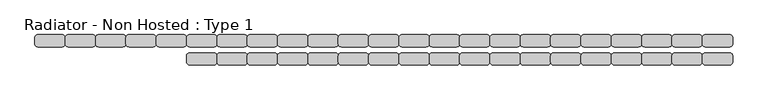
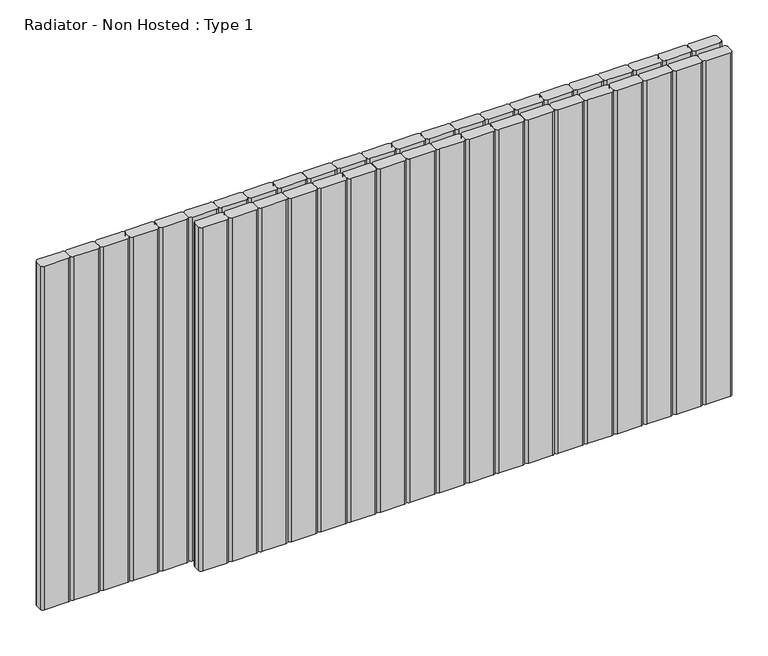
"""IFC4 building model written with IfcOpenShell, lengths in millimetres: proxy geometry, Radiator - Non Hosted : Type 1."""

from ifc_helpers import new_model, si_unit, point, frame, frame_2d, origin, place, context, project, spatial, polyline, circle_curve, trimmed, segment, composite_curve, outline, extrude, source, transform, mapped, element, save


def radiator_non_hosted_type_1_2841e368(model_context):
    return source(origin(), model_context, "Body", "SweptSolid", [
        extrude(outline(composite_curve([segment(trimmed(circle_curve(frame_2d((1295.0, 85.0)), 5.0), [point((1295.0, 90.0))], [point((1300.0, 85.0))], False, "CARTESIAN"), True, "CONTINUOUS"), segment(polyline([(1300.0, 85.0), (1300.0, 75.0)]), True, "CONTINUOUS"), segment(trimmed(circle_curve(frame_2d((1295.0, 75.0)), 5.0), [point((1300.0, 75.0))], [point((1295.0, 70.0))], False, "CARTESIAN"), True, "CONTINUOUS"), segment(polyline([(1295.0, 70.0), (1255.0, 70.0)]), True, "CONTINUOUS"), segment(trimmed(circle_curve(frame_2d((1255.0, 75.0)), 5.0), [point((1255.0, 70.0))], [point((1250.0, 75.0))], False, "CARTESIAN"), True, "CONTINUOUS"), segment(polyline([(1250.0, 75.0), (1250.0, 85.0)]), True, "CONTINUOUS"), segment(trimmed(circle_curve(frame_2d((1255.0, 85.0)), 5.0), [point((1250.0, 85.0))], [point((1255.0, 90.0))], False, "CARTESIAN"), True, "CONTINUOUS"), segment(polyline([(1255.0, 90.0), (1295.0, 90.0)]), True, "CONTINUOUS")], self_intersect=False)), frame((0.0, 0.0, 100.0), z_axis=(0.0, 0.0, 1.0), x_axis=(1.0, 0.0, 0.0)), (0.0, 0.0, 1.0), 613.2484049),
        extrude(outline(composite_curve([segment(trimmed(circle_curve(frame_2d((1245.0, 85.0)), 5.0), [point((1245.0, 90.0))], [point((1250.0, 85.0))], False, "CARTESIAN"), True, "CONTINUOUS"), segment(polyline([(1250.0, 85.0), (1250.0, 75.0)]), True, "CONTINUOUS"), segment(trimmed(circle_curve(frame_2d((1245.0, 75.0)), 5.0), [point((1250.0, 75.0))], [point((1245.0, 70.0))], False, "CARTESIAN"), True, "CONTINUOUS"), segment(polyline([(1245.0, 70.0), (1205.0, 70.0)]), True, "CONTINUOUS"), segment(trimmed(circle_curve(frame_2d((1205.0, 75.0)), 5.0), [point((1205.0, 70.0))], [point((1200.0, 75.0))], False, "CARTESIAN"), True, "CONTINUOUS"), segment(polyline([(1200.0, 75.0), (1200.0, 85.0)]), True, "CONTINUOUS"), segment(trimmed(circle_curve(frame_2d((1205.0, 85.0)), 5.0), [point((1200.0, 85.0))], [point((1205.0, 90.0))], False, "CARTESIAN"), True, "CONTINUOUS"), segment(polyline([(1205.0, 90.0), (1245.0, 90.0)]), True, "CONTINUOUS")], self_intersect=False)), frame((0.0, 0.0, 100.0), z_axis=(0.0, 0.0, 1.0), x_axis=(1.0, 0.0, 0.0)), (0.0, 0.0, 1.0), 613.2484049),
        extrude(outline(composite_curve([segment(trimmed(circle_curve(frame_2d((1195.0, 85.0)), 5.0), [point((1195.0, 90.0))], [point((1200.0, 85.0))], False, "CARTESIAN"), True, "CONTINUOUS"), segment(polyline([(1200.0, 85.0), (1200.0, 75.0)]), True, "CONTINUOUS"), segment(trimmed(circle_curve(frame_2d((1195.0, 75.0)), 5.0), [point((1200.0, 75.0))], [point((1195.0, 70.0))], False, "CARTESIAN"), True, "CONTINUOUS"), segment(polyline([(1195.0, 70.0), (1155.0, 70.0)]), True, "CONTINUOUS"), segment(trimmed(circle_curve(frame_2d((1155.0, 75.0)), 5.0), [point((1155.0, 70.0))], [point((1150.0, 75.0))], False, "CARTESIAN"), True, "CONTINUOUS"), segment(polyline([(1150.0, 75.0), (1150.0, 85.0)]), True, "CONTINUOUS"), segment(trimmed(circle_curve(frame_2d((1155.0, 85.0)), 5.0), [point((1150.0, 85.0))], [point((1155.0, 90.0))], False, "CARTESIAN"), True, "CONTINUOUS"), segment(polyline([(1155.0, 90.0), (1195.0, 90.0)]), True, "CONTINUOUS")], self_intersect=False)), frame((0.0, 0.0, 100.0), z_axis=(0.0, 0.0, 1.0), x_axis=(1.0, 0.0, 0.0)), (0.0, 0.0, 1.0), 613.2484049),
        extrude(outline(composite_curve([segment(trimmed(circle_curve(frame_2d((1145.0, 85.0)), 5.0), [point((1145.0, 90.0))], [point((1150.0, 85.0))], False, "CARTESIAN"), True, "CONTINUOUS"), segment(polyline([(1150.0, 85.0), (1150.0, 75.0)]), True, "CONTINUOUS"), segment(trimmed(circle_curve(frame_2d((1145.0, 75.0)), 5.0), [point((1150.0, 75.0))], [point((1145.0, 70.0))], False, "CARTESIAN"), True, "CONTINUOUS"), segment(polyline([(1145.0, 70.0), (1105.0, 70.0)]), True, "CONTINUOUS"), segment(trimmed(circle_curve(frame_2d((1105.0, 75.0)), 5.0), [point((1105.0, 70.0))], [point((1100.0, 75.0))], False, "CARTESIAN"), True, "CONTINUOUS"), segment(polyline([(1100.0, 75.0), (1100.0, 85.0)]), True, "CONTINUOUS"), segment(trimmed(circle_curve(frame_2d((1105.0, 85.0)), 5.0), [point((1100.0, 85.0))], [point((1105.0, 90.0))], False, "CARTESIAN"), True, "CONTINUOUS"), segment(polyline([(1105.0, 90.0), (1145.0, 90.0)]), True, "CONTINUOUS")], self_intersect=False)), frame((0.0, 0.0, 100.0), z_axis=(0.0, 0.0, 1.0), x_axis=(1.0, 0.0, 0.0)), (0.0, 0.0, 1.0), 613.2484049),
        extrude(outline(composite_curve([segment(trimmed(circle_curve(frame_2d((1095.0, 85.0)), 5.0), [point((1095.0, 90.0))], [point((1100.0, 85.0))], False, "CARTESIAN"), True, "CONTINUOUS"), segment(polyline([(1100.0, 85.0), (1100.0, 75.0)]), True, "CONTINUOUS"), segment(trimmed(circle_curve(frame_2d((1095.0, 75.0)), 5.0), [point((1100.0, 75.0))], [point((1095.0, 70.0))], False, "CARTESIAN"), True, "CONTINUOUS"), segment(polyline([(1095.0, 70.0), (1055.0, 70.0)]), True, "CONTINUOUS"), segment(trimmed(circle_curve(frame_2d((1055.0, 75.0)), 5.0), [point((1055.0, 70.0))], [point((1050.0, 75.0))], False, "CARTESIAN"), True, "CONTINUOUS"), segment(polyline([(1050.0, 75.0), (1050.0, 85.0)]), True, "CONTINUOUS"), segment(trimmed(circle_curve(frame_2d((1055.0, 85.0)), 5.0), [point((1050.0, 85.0))], [point((1055.0, 90.0))], False, "CARTESIAN"), True, "CONTINUOUS"), segment(polyline([(1055.0, 90.0), (1095.0, 90.0)]), True, "CONTINUOUS")], self_intersect=False)), frame((0.0, 0.0, 100.0), z_axis=(0.0, 0.0, 1.0), x_axis=(1.0, 0.0, 0.0)), (0.0, 0.0, 1.0), 613.2484049),
        extrude(outline(composite_curve([segment(trimmed(circle_curve(frame_2d((1045.0, 85.0)), 5.0), [point((1045.0, 90.0))], [point((1050.0, 85.0))], False, "CARTESIAN"), True, "CONTINUOUS"), segment(polyline([(1050.0, 85.0), (1050.0, 75.0)]), True, "CONTINUOUS"), segment(trimmed(circle_curve(frame_2d((1045.0, 75.0)), 5.0), [point((1050.0, 75.0))], [point((1045.0, 70.0))], False, "CARTESIAN"), True, "CONTINUOUS"), segment(polyline([(1045.0, 70.0), (1005.0, 70.0)]), True, "CONTINUOUS"), segment(trimmed(circle_curve(frame_2d((1005.0, 75.0)), 5.0), [point((1005.0, 70.0))], [point((1000.0, 75.0))], False, "CARTESIAN"), True, "CONTINUOUS"), segment(polyline([(1000.0, 75.0), (1000.0, 85.0)]), True, "CONTINUOUS"), segment(trimmed(circle_curve(frame_2d((1005.0, 85.0)), 5.0), [point((1000.0, 85.0))], [point((1005.0, 90.0))], False, "CARTESIAN"), True, "CONTINUOUS"), segment(polyline([(1005.0, 90.0), (1045.0, 90.0)]), True, "CONTINUOUS")], self_intersect=False)), frame((0.0, 0.0, 100.0), z_axis=(0.0, 0.0, 1.0), x_axis=(1.0, 0.0, 0.0)), (0.0, 0.0, 1.0), 613.2484049),
        extrude(outline(composite_curve([segment(trimmed(circle_curve(frame_2d((995.0, 85.0)), 5.0), [point((995.0, 90.0))], [point((1000.0, 85.0))], False, "CARTESIAN"), True, "CONTINUOUS"), segment(polyline([(1000.0, 85.0), (1000.0, 75.0)]), True, "CONTINUOUS"), segment(trimmed(circle_curve(frame_2d((995.0, 75.0)), 5.0), [point((1000.0, 75.0))], [point((995.0, 70.0))], False, "CARTESIAN"), True, "CONTINUOUS"), segment(polyline([(995.0, 70.0), (955.0, 70.0)]), True, "CONTINUOUS"), segment(trimmed(circle_curve(frame_2d((955.0, 75.0)), 5.0), [point((955.0, 70.0))], [point((950.0, 75.0))], False, "CARTESIAN"), True, "CONTINUOUS"), segment(polyline([(950.0, 75.0), (950.0, 85.0)]), True, "CONTINUOUS"), segment(trimmed(circle_curve(frame_2d((955.0, 85.0)), 5.0), [point((950.0, 85.0))], [point((955.0, 90.0))], False, "CARTESIAN"), True, "CONTINUOUS"), segment(polyline([(955.0, 90.0), (995.0, 90.0)]), True, "CONTINUOUS")], self_intersect=False)), frame((0.0, 0.0, 100.0), z_axis=(0.0, 0.0, 1.0), x_axis=(1.0, 0.0, 0.0)), (0.0, 0.0, 1.0), 613.2484049),
        extrude(outline(composite_curve([segment(trimmed(circle_curve(frame_2d((945.0, 85.0)), 5.0), [point((945.0, 90.0))], [point((950.0, 85.0))], False, "CARTESIAN"), True, "CONTINUOUS"), segment(polyline([(950.0, 85.0), (950.0, 75.0)]), True, "CONTINUOUS"), segment(trimmed(circle_curve(frame_2d((945.0, 75.0)), 5.0), [point((950.0, 75.0))], [point((945.0, 70.0))], False, "CARTESIAN"), True, "CONTINUOUS"), segment(polyline([(945.0, 70.0), (905.0, 70.0)]), True, "CONTINUOUS"), segment(trimmed(circle_curve(frame_2d((905.0, 75.0)), 5.0), [point((905.0, 70.0))], [point((900.0, 75.0))], False, "CARTESIAN"), True, "CONTINUOUS"), segment(polyline([(900.0, 75.0), (900.0, 85.0)]), True, "CONTINUOUS"), segment(trimmed(circle_curve(frame_2d((905.0, 85.0)), 5.0), [point((900.0, 85.0))], [point((905.0, 90.0))], False, "CARTESIAN"), True, "CONTINUOUS"), segment(polyline([(905.0, 90.0), (945.0, 90.0)]), True, "CONTINUOUS")], self_intersect=False)), frame((0.0, 0.0, 100.0), z_axis=(0.0, 0.0, 1.0), x_axis=(1.0, 0.0, 0.0)), (0.0, 0.0, 1.0), 613.2484049),
        extrude(outline(composite_curve([segment(trimmed(circle_curve(frame_2d((895.0, 85.0)), 5.0), [point((895.0, 90.0))], [point((900.0, 85.0))], False, "CARTESIAN"), True, "CONTINUOUS"), segment(polyline([(900.0, 85.0), (900.0, 75.0)]), True, "CONTINUOUS"), segment(trimmed(circle_curve(frame_2d((895.0, 75.0)), 5.0), [point((900.0, 75.0))], [point((895.0, 70.0))], False, "CARTESIAN"), True, "CONTINUOUS"), segment(polyline([(895.0, 70.0), (855.0, 70.0)]), True, "CONTINUOUS"), segment(trimmed(circle_curve(frame_2d((855.0, 75.0)), 5.0), [point((855.0, 70.0))], [point((850.0, 75.0))], False, "CARTESIAN"), True, "CONTINUOUS"), segment(polyline([(850.0, 75.0), (850.0, 85.0)]), True, "CONTINUOUS"), segment(trimmed(circle_curve(frame_2d((855.0, 85.0)), 5.0), [point((850.0, 85.0))], [point((855.0, 90.0))], False, "CARTESIAN"), True, "CONTINUOUS"), segment(polyline([(855.0, 90.0), (895.0, 90.0)]), True, "CONTINUOUS")], self_intersect=False)), frame((0.0, 0.0, 100.0), z_axis=(0.0, 0.0, 1.0), x_axis=(1.0, 0.0, 0.0)), (0.0, 0.0, 1.0), 613.2484049),
        extrude(outline(composite_curve([segment(trimmed(circle_curve(frame_2d((845.0, 85.0)), 5.0), [point((845.0, 90.0))], [point((850.0, 85.0))], False, "CARTESIAN"), True, "CONTINUOUS"), segment(polyline([(850.0, 85.0), (850.0, 75.0)]), True, "CONTINUOUS"), segment(trimmed(circle_curve(frame_2d((845.0, 75.0)), 5.0), [point((850.0, 75.0))], [point((845.0, 70.0))], False, "CARTESIAN"), True, "CONTINUOUS"), segment(polyline([(845.0, 70.0), (805.0, 70.0)]), True, "CONTINUOUS"), segment(trimmed(circle_curve(frame_2d((805.0, 75.0)), 5.0), [point((805.0, 70.0))], [point((800.0, 75.0))], False, "CARTESIAN"), True, "CONTINUOUS"), segment(polyline([(800.0, 75.0), (800.0, 85.0)]), True, "CONTINUOUS"), segment(trimmed(circle_curve(frame_2d((805.0, 85.0)), 5.0), [point((800.0, 85.0))], [point((805.0, 90.0))], False, "CARTESIAN"), True, "CONTINUOUS"), segment(polyline([(805.0, 90.0), (845.0, 90.0)]), True, "CONTINUOUS")], self_intersect=False)), frame((0.0, 0.0, 100.0), z_axis=(0.0, 0.0, 1.0), x_axis=(1.0, 0.0, 0.0)), (0.0, 0.0, 1.0), 613.2484049),
        extrude(outline(composite_curve([segment(trimmed(circle_curve(frame_2d((795.0, 85.0)), 5.0), [point((795.0, 90.0))], [point((800.0, 85.0))], False, "CARTESIAN"), True, "CONTINUOUS"), segment(polyline([(800.0, 85.0), (800.0, 75.0)]), True, "CONTINUOUS"), segment(trimmed(circle_curve(frame_2d((795.0, 75.0)), 5.0), [point((800.0, 75.0))], [point((795.0, 70.0))], False, "CARTESIAN"), True, "CONTINUOUS"), segment(polyline([(795.0, 70.0), (755.0, 70.0)]), True, "CONTINUOUS"), segment(trimmed(circle_curve(frame_2d((755.0, 75.0)), 5.0), [point((755.0, 70.0))], [point((750.0, 75.0))], False, "CARTESIAN"), True, "CONTINUOUS"), segment(polyline([(750.0, 75.0), (750.0, 85.0)]), True, "CONTINUOUS"), segment(trimmed(circle_curve(frame_2d((755.0, 85.0)), 5.0), [point((750.0, 85.0))], [point((755.0, 90.0))], False, "CARTESIAN"), True, "CONTINUOUS"), segment(polyline([(755.0, 90.0), (795.0, 90.0)]), True, "CONTINUOUS")], self_intersect=False)), frame((0.0, 0.0, 100.0), z_axis=(0.0, 0.0, 1.0), x_axis=(1.0, 0.0, 0.0)), (0.0, 0.0, 1.0), 613.2484049),
        extrude(outline(composite_curve([segment(trimmed(circle_curve(frame_2d((745.0, 85.0)), 5.0), [point((745.0, 90.0))], [point((750.0, 85.0))], False, "CARTESIAN"), True, "CONTINUOUS"), segment(polyline([(750.0, 85.0), (750.0, 75.0)]), True, "CONTINUOUS"), segment(trimmed(circle_curve(frame_2d((745.0, 75.0)), 5.0), [point((750.0, 75.0))], [point((745.0, 70.0))], False, "CARTESIAN"), True, "CONTINUOUS"), segment(polyline([(745.0, 70.0), (705.0, 70.0)]), True, "CONTINUOUS"), segment(trimmed(circle_curve(frame_2d((705.0, 75.0)), 5.0), [point((705.0, 70.0))], [point((700.0, 75.0))], False, "CARTESIAN"), True, "CONTINUOUS"), segment(polyline([(700.0, 75.0), (700.0, 85.0)]), True, "CONTINUOUS"), segment(trimmed(circle_curve(frame_2d((705.0, 85.0)), 5.0), [point((700.0, 85.0))], [point((705.0, 90.0))], False, "CARTESIAN"), True, "CONTINUOUS"), segment(polyline([(705.0, 90.0), (745.0, 90.0)]), True, "CONTINUOUS")], self_intersect=False)), frame((0.0, 0.0, 100.0), z_axis=(0.0, 0.0, 1.0), x_axis=(1.0, 0.0, 0.0)), (0.0, 0.0, 1.0), 613.2484049),
        extrude(outline(composite_curve([segment(trimmed(circle_curve(frame_2d((695.0, 85.0)), 5.0), [point((695.0, 90.0))], [point((700.0, 85.0))], False, "CARTESIAN"), True, "CONTINUOUS"), segment(polyline([(700.0, 85.0), (700.0, 75.0)]), True, "CONTINUOUS"), segment(trimmed(circle_curve(frame_2d((695.0, 75.0)), 5.0), [point((700.0, 75.0))], [point((695.0, 70.0))], False, "CARTESIAN"), True, "CONTINUOUS"), segment(polyline([(695.0, 70.0), (655.0, 70.0)]), True, "CONTINUOUS"), segment(trimmed(circle_curve(frame_2d((655.0, 75.0)), 5.0), [point((655.0, 70.0))], [point((650.0, 75.0))], False, "CARTESIAN"), True, "CONTINUOUS"), segment(polyline([(650.0, 75.0), (650.0, 85.0)]), True, "CONTINUOUS"), segment(trimmed(circle_curve(frame_2d((655.0, 85.0)), 5.0), [point((650.0, 85.0))], [point((655.0, 90.0))], False, "CARTESIAN"), True, "CONTINUOUS"), segment(polyline([(655.0, 90.0), (695.0, 90.0)]), True, "CONTINUOUS")], self_intersect=False)), frame((0.0, 0.0, 100.0), z_axis=(0.0, 0.0, 1.0), x_axis=(1.0, 0.0, 0.0)), (0.0, 0.0, 1.0), 613.2484049),
        extrude(outline(composite_curve([segment(trimmed(circle_curve(frame_2d((645.0, 85.0)), 5.0), [point((645.0, 90.0))], [point((650.0, 85.0))], False, "CARTESIAN"), True, "CONTINUOUS"), segment(polyline([(650.0, 85.0), (650.0, 75.0)]), True, "CONTINUOUS"), segment(trimmed(circle_curve(frame_2d((645.0, 75.0)), 5.0), [point((650.0, 75.0))], [point((645.0, 70.0))], False, "CARTESIAN"), True, "CONTINUOUS"), segment(polyline([(645.0, 70.0), (605.0, 70.0)]), True, "CONTINUOUS"), segment(trimmed(circle_curve(frame_2d((605.0, 75.0)), 5.0), [point((605.0, 70.0))], [point((600.0, 75.0))], False, "CARTESIAN"), True, "CONTINUOUS"), segment(polyline([(600.0, 75.0), (600.0, 85.0)]), True, "CONTINUOUS"), segment(trimmed(circle_curve(frame_2d((605.0, 85.0)), 5.0), [point((600.0, 85.0))], [point((605.0, 90.0))], False, "CARTESIAN"), True, "CONTINUOUS"), segment(polyline([(605.0, 90.0), (645.0, 90.0)]), True, "CONTINUOUS")], self_intersect=False)), frame((0.0, 0.0, 100.0), z_axis=(0.0, 0.0, 1.0), x_axis=(1.0, 0.0, 0.0)), (0.0, 0.0, 1.0), 613.2484049),
        extrude(outline(composite_curve([segment(trimmed(circle_curve(frame_2d((1295.0, 55.0)), 5.0), [point((1295.0, 60.0))], [point((1300.0, 55.0))], False, "CARTESIAN"), True, "CONTINUOUS"), segment(polyline([(1300.0, 55.0), (1300.0, 45.0)]), True, "CONTINUOUS"), segment(trimmed(circle_curve(frame_2d((1295.0, 45.0)), 5.0), [point((1300.0, 45.0))], [point((1295.0, 40.0))], False, "CARTESIAN"), True, "CONTINUOUS"), segment(polyline([(1295.0, 40.0), (1255.0, 40.0)]), True, "CONTINUOUS"), segment(trimmed(circle_curve(frame_2d((1255.0, 45.0)), 5.0), [point((1255.0, 40.0))], [point((1250.0, 45.0))], False, "CARTESIAN"), True, "CONTINUOUS"), segment(polyline([(1250.0, 45.0), (1250.0, 55.0)]), True, "CONTINUOUS"), segment(trimmed(circle_curve(frame_2d((1255.0, 55.0)), 5.0), [point((1250.0, 55.0))], [point((1255.0, 60.0))], False, "CARTESIAN"), True, "CONTINUOUS"), segment(polyline([(1255.0, 60.0), (1295.0, 60.0)]), True, "CONTINUOUS")], self_intersect=False)), frame((0.0, 0.0, 100.0), z_axis=(0.0, 0.0, 1.0), x_axis=(1.0, 0.0, 0.0)), (0.0, 0.0, 1.0), 613.2484049),
        extrude(outline(composite_curve([segment(trimmed(circle_curve(frame_2d((1245.0, 55.0)), 5.0), [point((1245.0, 60.0))], [point((1250.0, 55.0))], False, "CARTESIAN"), True, "CONTINUOUS"), segment(polyline([(1250.0, 55.0), (1250.0, 45.0)]), True, "CONTINUOUS"), segment(trimmed(circle_curve(frame_2d((1245.0, 45.0)), 5.0), [point((1250.0, 45.0))], [point((1245.0, 40.0))], False, "CARTESIAN"), True, "CONTINUOUS"), segment(polyline([(1245.0, 40.0), (1205.0, 40.0)]), True, "CONTINUOUS"), segment(trimmed(circle_curve(frame_2d((1205.0, 45.0)), 5.0), [point((1205.0, 40.0))], [point((1200.0, 45.0))], False, "CARTESIAN"), True, "CONTINUOUS"), segment(polyline([(1200.0, 45.0), (1200.0, 55.0)]), True, "CONTINUOUS"), segment(trimmed(circle_curve(frame_2d((1205.0, 55.0)), 5.0), [point((1200.0, 55.0))], [point((1205.0, 60.0))], False, "CARTESIAN"), True, "CONTINUOUS"), segment(polyline([(1205.0, 60.0), (1245.0, 60.0)]), True, "CONTINUOUS")], self_intersect=False)), frame((0.0, 0.0, 100.0), z_axis=(0.0, 0.0, 1.0), x_axis=(1.0, 0.0, 0.0)), (0.0, 0.0, 1.0), 613.2484049),
        extrude(outline(composite_curve([segment(trimmed(circle_curve(frame_2d((1195.0, 55.0)), 5.0), [point((1195.0, 60.0))], [point((1200.0, 55.0))], False, "CARTESIAN"), True, "CONTINUOUS"), segment(polyline([(1200.0, 55.0), (1200.0, 45.0)]), True, "CONTINUOUS"), segment(trimmed(circle_curve(frame_2d((1195.0, 45.0)), 5.0), [point((1200.0, 45.0))], [point((1195.0, 40.0))], False, "CARTESIAN"), True, "CONTINUOUS"), segment(polyline([(1195.0, 40.0), (1155.0, 40.0)]), True, "CONTINUOUS"), segment(trimmed(circle_curve(frame_2d((1155.0, 45.0)), 5.0), [point((1155.0, 40.0))], [point((1150.0, 45.0))], False, "CARTESIAN"), True, "CONTINUOUS"), segment(polyline([(1150.0, 45.0), (1150.0, 55.0)]), True, "CONTINUOUS"), segment(trimmed(circle_curve(frame_2d((1155.0, 55.0)), 5.0), [point((1150.0, 55.0))], [point((1155.0, 60.0))], False, "CARTESIAN"), True, "CONTINUOUS"), segment(polyline([(1155.0, 60.0), (1195.0, 60.0)]), True, "CONTINUOUS")], self_intersect=False)), frame((0.0, 0.0, 100.0), z_axis=(0.0, 0.0, 1.0), x_axis=(1.0, 0.0, 0.0)), (0.0, 0.0, 1.0), 613.2484049),
        extrude(outline(composite_curve([segment(trimmed(circle_curve(frame_2d((1145.0, 55.0)), 5.0), [point((1145.0, 60.0))], [point((1150.0, 55.0))], False, "CARTESIAN"), True, "CONTINUOUS"), segment(polyline([(1150.0, 55.0), (1150.0, 45.0)]), True, "CONTINUOUS"), segment(trimmed(circle_curve(frame_2d((1145.0, 45.0)), 5.0), [point((1150.0, 45.0))], [point((1145.0, 40.0))], False, "CARTESIAN"), True, "CONTINUOUS"), segment(polyline([(1145.0, 40.0), (1105.0, 40.0)]), True, "CONTINUOUS"), segment(trimmed(circle_curve(frame_2d((1105.0, 45.0)), 5.0), [point((1105.0, 40.0))], [point((1100.0, 45.0))], False, "CARTESIAN"), True, "CONTINUOUS"), segment(polyline([(1100.0, 45.0), (1100.0, 55.0)]), True, "CONTINUOUS"), segment(trimmed(circle_curve(frame_2d((1105.0, 55.0)), 5.0), [point((1100.0, 55.0))], [point((1105.0, 60.0))], False, "CARTESIAN"), True, "CONTINUOUS"), segment(polyline([(1105.0, 60.0), (1145.0, 60.0)]), True, "CONTINUOUS")], self_intersect=False)), frame((0.0, 0.0, 100.0), z_axis=(0.0, 0.0, 1.0), x_axis=(1.0, 0.0, 0.0)), (0.0, 0.0, 1.0), 613.2484049),
        extrude(outline(composite_curve([segment(trimmed(circle_curve(frame_2d((1095.0, 55.0)), 5.0), [point((1095.0, 60.0))], [point((1100.0, 55.0))], False, "CARTESIAN"), True, "CONTINUOUS"), segment(polyline([(1100.0, 55.0), (1100.0, 45.0)]), True, "CONTINUOUS"), segment(trimmed(circle_curve(frame_2d((1095.0, 45.0)), 5.0), [point((1100.0, 45.0))], [point((1095.0, 40.0))], False, "CARTESIAN"), True, "CONTINUOUS"), segment(polyline([(1095.0, 40.0), (1055.0, 40.0)]), True, "CONTINUOUS"), segment(trimmed(circle_curve(frame_2d((1055.0, 45.0)), 5.0), [point((1055.0, 40.0))], [point((1050.0, 45.0))], False, "CARTESIAN"), True, "CONTINUOUS"), segment(polyline([(1050.0, 45.0), (1050.0, 55.0)]), True, "CONTINUOUS"), segment(trimmed(circle_curve(frame_2d((1055.0, 55.0)), 5.0), [point((1050.0, 55.0))], [point((1055.0, 60.0))], False, "CARTESIAN"), True, "CONTINUOUS"), segment(polyline([(1055.0, 60.0), (1095.0, 60.0)]), True, "CONTINUOUS")], self_intersect=False)), frame((0.0, 0.0, 100.0), z_axis=(0.0, 0.0, 1.0), x_axis=(1.0, 0.0, 0.0)), (0.0, 0.0, 1.0), 613.2484049),
        extrude(outline(composite_curve([segment(trimmed(circle_curve(frame_2d((1045.0, 55.0)), 5.0), [point((1045.0, 60.0))], [point((1050.0, 55.0))], False, "CARTESIAN"), True, "CONTINUOUS"), segment(polyline([(1050.0, 55.0), (1050.0, 45.0)]), True, "CONTINUOUS"), segment(trimmed(circle_curve(frame_2d((1045.0, 45.0)), 5.0), [point((1050.0, 45.0))], [point((1045.0, 40.0))], False, "CARTESIAN"), True, "CONTINUOUS"), segment(polyline([(1045.0, 40.0), (1005.0, 40.0)]), True, "CONTINUOUS"), segment(trimmed(circle_curve(frame_2d((1005.0, 45.0)), 5.0), [point((1005.0, 40.0))], [point((1000.0, 45.0))], False, "CARTESIAN"), True, "CONTINUOUS"), segment(polyline([(1000.0, 45.0), (1000.0, 55.0)]), True, "CONTINUOUS"), segment(trimmed(circle_curve(frame_2d((1005.0, 55.0)), 5.0), [point((1000.0, 55.0))], [point((1005.0, 60.0))], False, "CARTESIAN"), True, "CONTINUOUS"), segment(polyline([(1005.0, 60.0), (1045.0, 60.0)]), True, "CONTINUOUS")], self_intersect=False)), frame((0.0, 0.0, 100.0), z_axis=(0.0, 0.0, 1.0), x_axis=(1.0, 0.0, 0.0)), (0.0, 0.0, 1.0), 613.2484049),
        extrude(outline(composite_curve([segment(trimmed(circle_curve(frame_2d((995.0, 55.0)), 5.0), [point((995.0, 60.0))], [point((1000.0, 55.0))], False, "CARTESIAN"), True, "CONTINUOUS"), segment(polyline([(1000.0, 55.0), (1000.0, 45.0)]), True, "CONTINUOUS"), segment(trimmed(circle_curve(frame_2d((995.0, 45.0)), 5.0), [point((1000.0, 45.0))], [point((995.0, 40.0))], False, "CARTESIAN"), True, "CONTINUOUS"), segment(polyline([(995.0, 40.0), (955.0, 40.0)]), True, "CONTINUOUS"), segment(trimmed(circle_curve(frame_2d((955.0, 45.0)), 5.0), [point((955.0, 40.0))], [point((950.0, 45.0))], False, "CARTESIAN"), True, "CONTINUOUS"), segment(polyline([(950.0, 45.0), (950.0, 55.0)]), True, "CONTINUOUS"), segment(trimmed(circle_curve(frame_2d((955.0, 55.0)), 5.0), [point((950.0, 55.0))], [point((955.0, 60.0))], False, "CARTESIAN"), True, "CONTINUOUS"), segment(polyline([(955.0, 60.0), (995.0, 60.0)]), True, "CONTINUOUS")], self_intersect=False)), frame((0.0, 0.0, 100.0), z_axis=(0.0, 0.0, 1.0), x_axis=(1.0, 0.0, 0.0)), (0.0, 0.0, 1.0), 613.2484049),
        extrude(outline(composite_curve([segment(trimmed(circle_curve(frame_2d((945.0, 55.0)), 5.0), [point((945.0, 60.0))], [point((950.0, 55.0))], False, "CARTESIAN"), True, "CONTINUOUS"), segment(polyline([(950.0, 55.0), (950.0, 45.0)]), True, "CONTINUOUS"), segment(trimmed(circle_curve(frame_2d((945.0, 45.0)), 5.0), [point((950.0, 45.0))], [point((945.0, 40.0))], False, "CARTESIAN"), True, "CONTINUOUS"), segment(polyline([(945.0, 40.0), (905.0, 40.0)]), True, "CONTINUOUS"), segment(trimmed(circle_curve(frame_2d((905.0, 45.0)), 5.0), [point((905.0, 40.0))], [point((900.0, 45.0))], False, "CARTESIAN"), True, "CONTINUOUS"), segment(polyline([(900.0, 45.0), (900.0, 55.0)]), True, "CONTINUOUS"), segment(trimmed(circle_curve(frame_2d((905.0, 55.0)), 5.0), [point((900.0, 55.0))], [point((905.0, 60.0))], False, "CARTESIAN"), True, "CONTINUOUS"), segment(polyline([(905.0, 60.0), (945.0, 60.0)]), True, "CONTINUOUS")], self_intersect=False)), frame((0.0, 0.0, 100.0), z_axis=(0.0, 0.0, 1.0), x_axis=(1.0, 0.0, 0.0)), (0.0, 0.0, 1.0), 613.2484049),
        extrude(outline(composite_curve([segment(trimmed(circle_curve(frame_2d((895.0, 55.0)), 5.0), [point((895.0, 60.0))], [point((900.0, 55.0))], False, "CARTESIAN"), True, "CONTINUOUS"), segment(polyline([(900.0, 55.0), (900.0, 45.0)]), True, "CONTINUOUS"), segment(trimmed(circle_curve(frame_2d((895.0, 45.0)), 5.0), [point((900.0, 45.0))], [point((895.0, 40.0))], False, "CARTESIAN"), True, "CONTINUOUS"), segment(polyline([(895.0, 40.0), (855.0, 40.0)]), True, "CONTINUOUS"), segment(trimmed(circle_curve(frame_2d((855.0, 45.0)), 5.0), [point((855.0, 40.0))], [point((850.0, 45.0))], False, "CARTESIAN"), True, "CONTINUOUS"), segment(polyline([(850.0, 45.0), (850.0, 55.0)]), True, "CONTINUOUS"), segment(trimmed(circle_curve(frame_2d((855.0, 55.0)), 5.0), [point((850.0, 55.0))], [point((855.0, 60.0))], False, "CARTESIAN"), True, "CONTINUOUS"), segment(polyline([(855.0, 60.0), (895.0, 60.0)]), True, "CONTINUOUS")], self_intersect=False)), frame((0.0, 0.0, 100.0), z_axis=(0.0, 0.0, 1.0), x_axis=(1.0, 0.0, 0.0)), (0.0, 0.0, 1.0), 613.2484049),
        extrude(outline(composite_curve([segment(trimmed(circle_curve(frame_2d((845.0, 55.0)), 5.0), [point((845.0, 60.0))], [point((850.0, 55.0))], False, "CARTESIAN"), True, "CONTINUOUS"), segment(polyline([(850.0, 55.0), (850.0, 45.0)]), True, "CONTINUOUS"), segment(trimmed(circle_curve(frame_2d((845.0, 45.0)), 5.0), [point((850.0, 45.0))], [point((845.0, 40.0))], False, "CARTESIAN"), True, "CONTINUOUS"), segment(polyline([(845.0, 40.0), (805.0, 40.0)]), True, "CONTINUOUS"), segment(trimmed(circle_curve(frame_2d((805.0, 45.0)), 5.0), [point((805.0, 40.0))], [point((800.0, 45.0))], False, "CARTESIAN"), True, "CONTINUOUS"), segment(polyline([(800.0, 45.0), (800.0, 55.0)]), True, "CONTINUOUS"), segment(trimmed(circle_curve(frame_2d((805.0, 55.0)), 5.0), [point((800.0, 55.0))], [point((805.0, 60.0))], False, "CARTESIAN"), True, "CONTINUOUS"), segment(polyline([(805.0, 60.0), (845.0, 60.0)]), True, "CONTINUOUS")], self_intersect=False)), frame((0.0, 0.0, 100.0), z_axis=(0.0, 0.0, 1.0), x_axis=(1.0, 0.0, 0.0)), (0.0, 0.0, 1.0), 613.2484049),
        extrude(outline(composite_curve([segment(trimmed(circle_curve(frame_2d((795.0, 55.0)), 5.0), [point((795.0, 60.0))], [point((800.0, 55.0))], False, "CARTESIAN"), True, "CONTINUOUS"), segment(polyline([(800.0, 55.0), (800.0, 45.0)]), True, "CONTINUOUS"), segment(trimmed(circle_curve(frame_2d((795.0, 45.0)), 5.0), [point((800.0, 45.0))], [point((795.0, 40.0))], False, "CARTESIAN"), True, "CONTINUOUS"), segment(polyline([(795.0, 40.0), (755.0, 40.0)]), True, "CONTINUOUS"), segment(trimmed(circle_curve(frame_2d((755.0, 45.0)), 5.0), [point((755.0, 40.0))], [point((750.0, 45.0))], False, "CARTESIAN"), True, "CONTINUOUS"), segment(polyline([(750.0, 45.0), (750.0, 55.0)]), True, "CONTINUOUS"), segment(trimmed(circle_curve(frame_2d((755.0, 55.0)), 5.0), [point((750.0, 55.0))], [point((755.0, 60.0))], False, "CARTESIAN"), True, "CONTINUOUS"), segment(polyline([(755.0, 60.0), (795.0, 60.0)]), True, "CONTINUOUS")], self_intersect=False)), frame((0.0, 0.0, 100.0), z_axis=(0.0, 0.0, 1.0), x_axis=(1.0, 0.0, 0.0)), (0.0, 0.0, 1.0), 613.2484049),
        extrude(outline(composite_curve([segment(trimmed(circle_curve(frame_2d((745.0, 55.0)), 5.0), [point((745.0, 60.0))], [point((750.0, 55.0))], False, "CARTESIAN"), True, "CONTINUOUS"), segment(polyline([(750.0, 55.0), (750.0, 45.0)]), True, "CONTINUOUS"), segment(trimmed(circle_curve(frame_2d((745.0, 45.0)), 5.0), [point((750.0, 45.0))], [point((745.0, 40.0))], False, "CARTESIAN"), True, "CONTINUOUS"), segment(polyline([(745.0, 40.0), (705.0, 40.0)]), True, "CONTINUOUS"), segment(trimmed(circle_curve(frame_2d((705.0, 45.0)), 5.0), [point((705.0, 40.0))], [point((700.0, 45.0))], False, "CARTESIAN"), True, "CONTINUOUS"), segment(polyline([(700.0, 45.0), (700.0, 55.0)]), True, "CONTINUOUS"), segment(trimmed(circle_curve(frame_2d((705.0, 55.0)), 5.0), [point((700.0, 55.0))], [point((705.0, 60.0))], False, "CARTESIAN"), True, "CONTINUOUS"), segment(polyline([(705.0, 60.0), (745.0, 60.0)]), True, "CONTINUOUS")], self_intersect=False)), frame((0.0, 0.0, 100.0), z_axis=(0.0, 0.0, 1.0), x_axis=(1.0, 0.0, 0.0)), (0.0, 0.0, 1.0), 613.2484049),
        extrude(outline(composite_curve([segment(trimmed(circle_curve(frame_2d((695.0, 55.0)), 5.0), [point((695.0, 60.0))], [point((700.0, 55.0))], False, "CARTESIAN"), True, "CONTINUOUS"), segment(polyline([(700.0, 55.0), (700.0, 45.0)]), True, "CONTINUOUS"), segment(trimmed(circle_curve(frame_2d((695.0, 45.0)), 5.0), [point((700.0, 45.0))], [point((695.0, 40.0))], False, "CARTESIAN"), True, "CONTINUOUS"), segment(polyline([(695.0, 40.0), (655.0, 40.0)]), True, "CONTINUOUS"), segment(trimmed(circle_curve(frame_2d((655.0, 45.0)), 5.0), [point((655.0, 40.0))], [point((650.0, 45.0))], False, "CARTESIAN"), True, "CONTINUOUS"), segment(polyline([(650.0, 45.0), (650.0, 55.0)]), True, "CONTINUOUS"), segment(trimmed(circle_curve(frame_2d((655.0, 55.0)), 5.0), [point((650.0, 55.0))], [point((655.0, 60.0))], False, "CARTESIAN"), True, "CONTINUOUS"), segment(polyline([(655.0, 60.0), (695.0, 60.0)]), True, "CONTINUOUS")], self_intersect=False)), frame((0.0, 0.0, 100.0), z_axis=(0.0, 0.0, 1.0), x_axis=(1.0, 0.0, 0.0)), (0.0, 0.0, 1.0), 613.2484049),
        extrude(outline(composite_curve([segment(trimmed(circle_curve(frame_2d((645.0, 55.0)), 5.0), [point((645.0, 60.0))], [point((650.0, 55.0))], False, "CARTESIAN"), True, "CONTINUOUS"), segment(polyline([(650.0, 55.0), (650.0, 45.0)]), True, "CONTINUOUS"), segment(trimmed(circle_curve(frame_2d((645.0, 45.0)), 5.0), [point((650.0, 45.0))], [point((645.0, 40.0))], False, "CARTESIAN"), True, "CONTINUOUS"), segment(polyline([(645.0, 40.0), (605.0, 40.0)]), True, "CONTINUOUS"), segment(trimmed(circle_curve(frame_2d((605.0, 45.0)), 5.0), [point((605.0, 40.0))], [point((600.0, 45.0))], False, "CARTESIAN"), True, "CONTINUOUS"), segment(polyline([(600.0, 45.0), (600.0, 55.0)]), True, "CONTINUOUS"), segment(trimmed(circle_curve(frame_2d((605.0, 55.0)), 5.0), [point((600.0, 55.0))], [point((605.0, 60.0))], False, "CARTESIAN"), True, "CONTINUOUS"), segment(polyline([(605.0, 60.0), (645.0, 60.0)]), True, "CONTINUOUS")], self_intersect=False)), frame((0.0, 0.0, 100.0), z_axis=(0.0, 0.0, 1.0), x_axis=(1.0, 0.0, 0.0)), (0.0, 0.0, 1.0), 613.2484049),
        extrude(outline(composite_curve([segment(trimmed(circle_curve(frame_2d((595.0, 85.0)), 5.0), [point((595.0, 90.0))], [point((600.0, 85.0))], False, "CARTESIAN"), True, "CONTINUOUS"), segment(polyline([(600.0, 85.0), (600.0, 75.0)]), True, "CONTINUOUS"), segment(trimmed(circle_curve(frame_2d((595.0, 75.0)), 5.0), [point((600.0, 75.0))], [point((595.0, 70.0))], False, "CARTESIAN"), True, "CONTINUOUS"), segment(polyline([(595.0, 70.0), (555.0, 70.0)]), True, "CONTINUOUS"), segment(trimmed(circle_curve(frame_2d((555.0, 75.0)), 5.0), [point((555.0, 70.0))], [point((550.0, 75.0))], False, "CARTESIAN"), True, "CONTINUOUS"), segment(polyline([(550.0, 75.0), (550.0, 85.0)]), True, "CONTINUOUS"), segment(trimmed(circle_curve(frame_2d((555.0, 85.0)), 5.0), [point((550.0, 85.0))], [point((555.0, 90.0))], False, "CARTESIAN"), True, "CONTINUOUS"), segment(polyline([(555.0, 90.0), (595.0, 90.0)]), True, "CONTINUOUS")], self_intersect=False)), frame((0.0, 0.0, 100.0), z_axis=(0.0, 0.0, 1.0), x_axis=(1.0, 0.0, 0.0)), (0.0, 0.0, 1.0), 613.2484049),
        extrude(outline(composite_curve([segment(trimmed(circle_curve(frame_2d((545.0, 85.0)), 5.0), [point((545.0, 90.0))], [point((550.0, 85.0))], False, "CARTESIAN"), True, "CONTINUOUS"), segment(polyline([(550.0, 85.0), (550.0, 75.0)]), True, "CONTINUOUS"), segment(trimmed(circle_curve(frame_2d((545.0, 75.0)), 5.0), [point((550.0, 75.0))], [point((545.0, 70.0))], False, "CARTESIAN"), True, "CONTINUOUS"), segment(polyline([(545.0, 70.0), (505.0, 70.0)]), True, "CONTINUOUS"), segment(trimmed(circle_curve(frame_2d((505.0, 75.0)), 5.0), [point((505.0, 70.0))], [point((500.0, 75.0))], False, "CARTESIAN"), True, "CONTINUOUS"), segment(polyline([(500.0, 75.0), (500.0, 85.0)]), True, "CONTINUOUS"), segment(trimmed(circle_curve(frame_2d((505.0, 85.0)), 5.0), [point((500.0, 85.0))], [point((505.0, 90.0))], False, "CARTESIAN"), True, "CONTINUOUS"), segment(polyline([(505.0, 90.0), (545.0, 90.0)]), True, "CONTINUOUS")], self_intersect=False)), frame((0.0, 0.0, 100.0), z_axis=(0.0, 0.0, 1.0), x_axis=(1.0, 0.0, 0.0)), (0.0, 0.0, 1.0), 613.2484049),
        extrude(outline(composite_curve([segment(trimmed(circle_curve(frame_2d((495.0, 85.0)), 5.0), [point((495.0, 90.0))], [point((500.0, 85.0))], False, "CARTESIAN"), True, "CONTINUOUS"), segment(polyline([(500.0, 85.0), (500.0, 75.0)]), True, "CONTINUOUS"), segment(trimmed(circle_curve(frame_2d((495.0, 75.0)), 5.0), [point((500.0, 75.0))], [point((495.0, 70.0))], False, "CARTESIAN"), True, "CONTINUOUS"), segment(polyline([(495.0, 70.0), (455.0, 70.0)]), True, "CONTINUOUS"), segment(trimmed(circle_curve(frame_2d((455.0, 75.0)), 5.0), [point((455.0, 70.0))], [point((450.0, 75.0))], False, "CARTESIAN"), True, "CONTINUOUS"), segment(polyline([(450.0, 75.0), (450.0, 85.0)]), True, "CONTINUOUS"), segment(trimmed(circle_curve(frame_2d((455.0, 85.0)), 5.0), [point((450.0, 85.0))], [point((455.0, 90.0))], False, "CARTESIAN"), True, "CONTINUOUS"), segment(polyline([(455.0, 90.0), (495.0, 90.0)]), True, "CONTINUOUS")], self_intersect=False)), frame((0.0, 0.0, 100.0), z_axis=(0.0, 0.0, 1.0), x_axis=(1.0, 0.0, 0.0)), (0.0, 0.0, 1.0), 613.2484049),
        extrude(outline(composite_curve([segment(trimmed(circle_curve(frame_2d((445.0, 85.0)), 5.0), [point((445.0, 90.0))], [point((450.0, 85.0))], False, "CARTESIAN"), True, "CONTINUOUS"), segment(polyline([(450.0, 85.0), (450.0, 75.0)]), True, "CONTINUOUS"), segment(trimmed(circle_curve(frame_2d((445.0, 75.0)), 5.0), [point((450.0, 75.0))], [point((445.0, 70.0))], False, "CARTESIAN"), True, "CONTINUOUS"), segment(polyline([(445.0, 70.0), (405.0, 70.0)]), True, "CONTINUOUS"), segment(trimmed(circle_curve(frame_2d((405.0, 75.0)), 5.0), [point((405.0, 70.0))], [point((400.0, 75.0))], False, "CARTESIAN"), True, "CONTINUOUS"), segment(polyline([(400.0, 75.0), (400.0, 85.0)]), True, "CONTINUOUS"), segment(trimmed(circle_curve(frame_2d((405.0, 85.0)), 5.0), [point((400.0, 85.0))], [point((405.0, 90.0))], False, "CARTESIAN"), True, "CONTINUOUS"), segment(polyline([(405.0, 90.0), (445.0, 90.0)]), True, "CONTINUOUS")], self_intersect=False)), frame((0.0, 0.0, 100.0), z_axis=(0.0, 0.0, 1.0), x_axis=(1.0, 0.0, 0.0)), (0.0, 0.0, 1.0), 613.2484049),
        extrude(outline(composite_curve([segment(trimmed(circle_curve(frame_2d((395.0, 85.0)), 5.0), [point((395.0, 90.0))], [point((400.0, 85.0))], False, "CARTESIAN"), True, "CONTINUOUS"), segment(polyline([(400.0, 85.0), (400.0, 75.0)]), True, "CONTINUOUS"), segment(trimmed(circle_curve(frame_2d((395.0, 75.0)), 5.0), [point((400.0, 75.0))], [point((395.0, 70.0))], False, "CARTESIAN"), True, "CONTINUOUS"), segment(polyline([(395.0, 70.0), (355.0, 70.0)]), True, "CONTINUOUS"), segment(trimmed(circle_curve(frame_2d((355.0, 75.0)), 5.0), [point((355.0, 70.0))], [point((350.0, 75.0))], False, "CARTESIAN"), True, "CONTINUOUS"), segment(polyline([(350.0, 75.0), (350.0, 85.0)]), True, "CONTINUOUS"), segment(trimmed(circle_curve(frame_2d((355.0, 85.0)), 5.0), [point((350.0, 85.0))], [point((355.0, 90.0))], False, "CARTESIAN"), True, "CONTINUOUS"), segment(polyline([(355.0, 90.0), (395.0, 90.0)]), True, "CONTINUOUS")], self_intersect=False)), frame((0.0, 0.0, 100.0), z_axis=(0.0, 0.0, 1.0), x_axis=(1.0, 0.0, 0.0)), (0.0, 0.0, 1.0), 613.2484049),
        extrude(outline(composite_curve([segment(trimmed(circle_curve(frame_2d((345.0, 85.0)), 5.0), [point((345.0, 90.0))], [point((350.0, 85.0))], False, "CARTESIAN"), True, "CONTINUOUS"), segment(polyline([(350.0, 85.0), (350.0, 75.0)]), True, "CONTINUOUS"), segment(trimmed(circle_curve(frame_2d((345.0, 75.0)), 5.0), [point((350.0, 75.0))], [point((345.0, 70.0))], False, "CARTESIAN"), True, "CONTINUOUS"), segment(polyline([(345.0, 70.0), (305.0, 70.0)]), True, "CONTINUOUS"), segment(trimmed(circle_curve(frame_2d((305.0, 75.0)), 5.0), [point((305.0, 70.0))], [point((300.0, 75.0))], False, "CARTESIAN"), True, "CONTINUOUS"), segment(polyline([(300.0, 75.0), (300.0, 85.0)]), True, "CONTINUOUS"), segment(trimmed(circle_curve(frame_2d((305.0, 85.0)), 5.0), [point((300.0, 85.0))], [point((305.0, 90.0))], False, "CARTESIAN"), True, "CONTINUOUS"), segment(polyline([(305.0, 90.0), (345.0, 90.0)]), True, "CONTINUOUS")], self_intersect=False)), frame((0.0, 0.0, 100.0), z_axis=(0.0, 0.0, 1.0), x_axis=(1.0, 0.0, 0.0)), (0.0, 0.0, 1.0), 613.2484049),
        extrude(outline(composite_curve([segment(trimmed(circle_curve(frame_2d((295.0, 85.0)), 5.0), [point((295.0, 90.0))], [point((300.0, 85.0))], False, "CARTESIAN"), True, "CONTINUOUS"), segment(polyline([(300.0, 85.0), (300.0, 75.0)]), True, "CONTINUOUS"), segment(trimmed(circle_curve(frame_2d((295.0, 75.0)), 5.0), [point((300.0, 75.0))], [point((295.0, 70.0))], False, "CARTESIAN"), True, "CONTINUOUS"), segment(polyline([(295.0, 70.0), (255.0, 70.0)]), True, "CONTINUOUS"), segment(trimmed(circle_curve(frame_2d((255.0, 75.0)), 5.0), [point((255.0, 70.0))], [point((250.0, 75.0))], False, "CARTESIAN"), True, "CONTINUOUS"), segment(polyline([(250.0, 75.0), (250.0, 85.0)]), True, "CONTINUOUS"), segment(trimmed(circle_curve(frame_2d((255.0, 85.0)), 5.0), [point((250.0, 85.0))], [point((255.0, 90.0))], False, "CARTESIAN"), True, "CONTINUOUS"), segment(polyline([(255.0, 90.0), (295.0, 90.0)]), True, "CONTINUOUS")], self_intersect=False)), frame((0.0, 0.0, 100.0), z_axis=(0.0, 0.0, 1.0), x_axis=(1.0, 0.0, 0.0)), (0.0, 0.0, 1.0), 613.2484049),
        extrude(outline(composite_curve([segment(trimmed(circle_curve(frame_2d((245.0, 85.0)), 5.0), [point((245.0, 90.0))], [point((250.0, 85.0))], False, "CARTESIAN"), True, "CONTINUOUS"), segment(polyline([(250.0, 85.0), (250.0, 75.0)]), True, "CONTINUOUS"), segment(trimmed(circle_curve(frame_2d((245.0, 75.0)), 5.0), [point((250.0, 75.0))], [point((245.0, 70.0))], False, "CARTESIAN"), True, "CONTINUOUS"), segment(polyline([(245.0, 70.0), (205.0, 70.0)]), True, "CONTINUOUS"), segment(trimmed(circle_curve(frame_2d((205.0, 75.0)), 5.0), [point((205.0, 70.0))], [point((200.0, 75.0))], False, "CARTESIAN"), True, "CONTINUOUS"), segment(polyline([(200.0, 75.0), (200.0, 85.0)]), True, "CONTINUOUS"), segment(trimmed(circle_curve(frame_2d((205.0, 85.0)), 5.0), [point((200.0, 85.0))], [point((205.0, 90.0))], False, "CARTESIAN"), True, "CONTINUOUS"), segment(polyline([(205.0, 90.0), (245.0, 90.0)]), True, "CONTINUOUS")], self_intersect=False)), frame((0.0, 0.0, 100.0), z_axis=(0.0, 0.0, 1.0), x_axis=(1.0, 0.0, 0.0)), (0.0, 0.0, 1.0), 613.2484049),
        extrude(outline(composite_curve([segment(trimmed(circle_curve(frame_2d((195.0, 85.0)), 5.0), [point((195.0, 90.0))], [point((200.0, 85.0))], False, "CARTESIAN"), True, "CONTINUOUS"), segment(polyline([(200.0, 85.0), (200.0, 75.0)]), True, "CONTINUOUS"), segment(trimmed(circle_curve(frame_2d((195.0, 75.0)), 5.0), [point((200.0, 75.0))], [point((195.0, 70.0))], False, "CARTESIAN"), True, "CONTINUOUS"), segment(polyline([(195.0, 70.0), (155.0, 70.0)]), True, "CONTINUOUS"), segment(trimmed(circle_curve(frame_2d((155.0, 75.0)), 5.0), [point((155.0, 70.0))], [point((150.0, 75.0))], False, "CARTESIAN"), True, "CONTINUOUS"), segment(polyline([(150.0, 75.0), (150.0, 85.0)]), True, "CONTINUOUS"), segment(trimmed(circle_curve(frame_2d((155.0, 85.0)), 5.0), [point((150.0, 85.0))], [point((155.0, 90.0))], False, "CARTESIAN"), True, "CONTINUOUS"), segment(polyline([(155.0, 90.0), (195.0, 90.0)]), True, "CONTINUOUS")], self_intersect=False)), frame((0.0, 0.0, 100.0), z_axis=(0.0, 0.0, 1.0), x_axis=(1.0, 0.0, 0.0)), (0.0, 0.0, 1.0), 613.2484049),
        extrude(outline(composite_curve([segment(trimmed(circle_curve(frame_2d((595.0, 55.0)), 5.0), [point((595.0, 60.0))], [point((600.0, 55.0))], False, "CARTESIAN"), True, "CONTINUOUS"), segment(polyline([(600.0, 55.0), (600.0, 45.0)]), True, "CONTINUOUS"), segment(trimmed(circle_curve(frame_2d((595.0, 45.0)), 5.0), [point((600.0, 45.0))], [point((595.0, 40.0))], False, "CARTESIAN"), True, "CONTINUOUS"), segment(polyline([(595.0, 40.0), (555.0, 40.0)]), True, "CONTINUOUS"), segment(trimmed(circle_curve(frame_2d((555.0, 45.0)), 5.0), [point((555.0, 40.0))], [point((550.0, 45.0))], False, "CARTESIAN"), True, "CONTINUOUS"), segment(polyline([(550.0, 45.0), (550.0, 55.0)]), True, "CONTINUOUS"), segment(trimmed(circle_curve(frame_2d((555.0, 55.0)), 5.0), [point((550.0, 55.0))], [point((555.0, 60.0))], False, "CARTESIAN"), True, "CONTINUOUS"), segment(polyline([(555.0, 60.0), (595.0, 60.0)]), True, "CONTINUOUS")], self_intersect=False)), frame((0.0, 0.0, 100.0), z_axis=(0.0, 0.0, 1.0), x_axis=(1.0, 0.0, 0.0)), (0.0, 0.0, 1.0), 613.2484049),
        extrude(outline(composite_curve([segment(trimmed(circle_curve(frame_2d((545.0, 55.0)), 5.0), [point((545.0, 60.0))], [point((550.0, 55.0))], False, "CARTESIAN"), True, "CONTINUOUS"), segment(polyline([(550.0, 55.0), (550.0, 45.0)]), True, "CONTINUOUS"), segment(trimmed(circle_curve(frame_2d((545.0, 45.0)), 5.0), [point((550.0, 45.0))], [point((545.0, 40.0))], False, "CARTESIAN"), True, "CONTINUOUS"), segment(polyline([(545.0, 40.0), (505.0, 40.0)]), True, "CONTINUOUS"), segment(trimmed(circle_curve(frame_2d((505.0, 45.0)), 5.0), [point((505.0, 40.0))], [point((500.0, 45.0))], False, "CARTESIAN"), True, "CONTINUOUS"), segment(polyline([(500.0, 45.0), (500.0, 55.0)]), True, "CONTINUOUS"), segment(trimmed(circle_curve(frame_2d((505.0, 55.0)), 5.0), [point((500.0, 55.0))], [point((505.0, 60.0))], False, "CARTESIAN"), True, "CONTINUOUS"), segment(polyline([(505.0, 60.0), (545.0, 60.0)]), True, "CONTINUOUS")], self_intersect=False)), frame((0.0, 0.0, 100.0), z_axis=(0.0, 0.0, 1.0), x_axis=(1.0, 0.0, 0.0)), (0.0, 0.0, 1.0), 613.2484049),
        extrude(outline(composite_curve([segment(trimmed(circle_curve(frame_2d((495.0, 55.0)), 5.0), [point((495.0, 60.0))], [point((500.0, 55.0))], False, "CARTESIAN"), True, "CONTINUOUS"), segment(polyline([(500.0, 55.0), (500.0, 45.0)]), True, "CONTINUOUS"), segment(trimmed(circle_curve(frame_2d((495.0, 45.0)), 5.0), [point((500.0, 45.0))], [point((495.0, 40.0))], False, "CARTESIAN"), True, "CONTINUOUS"), segment(polyline([(495.0, 40.0), (455.0, 40.0)]), True, "CONTINUOUS"), segment(trimmed(circle_curve(frame_2d((455.0, 45.0)), 5.0), [point((455.0, 40.0))], [point((450.0, 45.0))], False, "CARTESIAN"), True, "CONTINUOUS"), segment(polyline([(450.0, 45.0), (450.0, 55.0)]), True, "CONTINUOUS"), segment(trimmed(circle_curve(frame_2d((455.0, 55.0)), 5.0), [point((450.0, 55.0))], [point((455.0, 60.0))], False, "CARTESIAN"), True, "CONTINUOUS"), segment(polyline([(455.0, 60.0), (495.0, 60.0)]), True, "CONTINUOUS")], self_intersect=False)), frame((0.0, 0.0, 100.0), z_axis=(0.0, 0.0, 1.0), x_axis=(1.0, 0.0, 0.0)), (0.0, 0.0, 1.0), 613.2484049),
        extrude(outline(composite_curve([segment(trimmed(circle_curve(frame_2d((445.0, 55.0)), 5.0), [point((445.0, 60.0))], [point((450.0, 55.0))], False, "CARTESIAN"), True, "CONTINUOUS"), segment(polyline([(450.0, 55.0), (450.0, 45.0)]), True, "CONTINUOUS"), segment(trimmed(circle_curve(frame_2d((445.0, 45.0)), 5.0), [point((450.0, 45.0))], [point((445.0, 40.0))], False, "CARTESIAN"), True, "CONTINUOUS"), segment(polyline([(445.0, 40.0), (405.0, 40.0)]), True, "CONTINUOUS"), segment(trimmed(circle_curve(frame_2d((405.0, 45.0)), 5.0), [point((405.0, 40.0))], [point((400.0, 45.0))], False, "CARTESIAN"), True, "CONTINUOUS"), segment(polyline([(400.0, 45.0), (400.0, 55.0)]), True, "CONTINUOUS"), segment(trimmed(circle_curve(frame_2d((405.0, 55.0)), 5.0), [point((400.0, 55.0))], [point((405.0, 60.0))], False, "CARTESIAN"), True, "CONTINUOUS"), segment(polyline([(405.0, 60.0), (445.0, 60.0)]), True, "CONTINUOUS")], self_intersect=False)), frame((0.0, 0.0, 100.0), z_axis=(0.0, 0.0, 1.0), x_axis=(1.0, 0.0, 0.0)), (0.0, 0.0, 1.0), 613.2484049),
    ])


if __name__ == "__main__":
    model = new_model("IFC4")
    model_context = context("Model", 3, world=origin())
    ifc_project = project(units=[si_unit("LENGTHUNIT", "METRE", prefix="MILLI")], contexts=[model_context])
    site = spatial("IfcSite", under=ifc_project)
    building = spatial("IfcBuilding", under=site)
    placement = place(None, origin())
    radiator_non_hosted_type_1_shape = radiator_non_hosted_type_1_2841e368(model_context)
    element("IfcBuildingElementProxy", 1, Name="Radiator - Non Hosted : Type 1", ObjectType="Radiator - Non Hosted : Type 1", at=placement, inside=building, context=model_context, shape_type="MappedRepresentation", body=[
        mapped(radiator_non_hosted_type_1_shape, transform((0.0, 0.0, 0.0), x_axis=(1.0, 0.0, 0.0), y_axis=(0.0, 1.0, 0.0), z_axis=(0.0, 0.0, 1.0))),
    ])
    save(model, "model.ifc")
